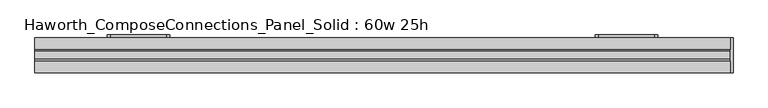
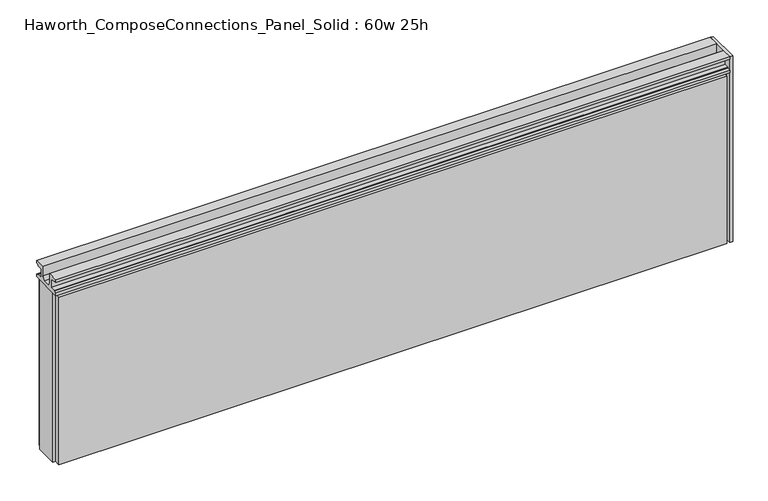
"""IFC4 building model written with IfcOpenShell, lengths in millimetres: furniture geometry, Haworth_ComposeConnections_Panel_Solid : 60w 25h."""

import ifcopenshell
import ifcopenshell.guid

model = None  # the IFC model being written
_history = None  # IfcOwnerHistory: only IFC2X3 demands one
_inside = {}  # id of a spatial element -> (the spatial element, [elements in it])
_under = {}  # id of a project, library or spatial element -> (it, [spatial elements below it])
_declared = {}  # id of a project -> (the project, [libraries it declares])
_typed = {}  # id of a type object -> (the type object, [elements of that type])
_made_of = {}  # id of a material, layer set ... -> (it, [elements and type objects made of it])


def new_model(schema):
    """Start an empty IFC model of exactly this schema.

    Asked for "IFC4X3", IfcOpenShell would pick the latest addendum, in which some entities
    have other attributes; the version numbers below select the first issue.
    IFC2X3 requires an IfcOwnerHistory on every rooted entity: one is made here for all.
    """
    global model, _history
    if schema == "IFC4X3":
        model = ifcopenshell.file(schema_version=(4, 3, 0, 0))
    else:
        model = ifcopenshell.file(schema=schema)
    _inside.clear()
    _under.clear()
    _declared.clear()
    _typed.clear()
    _made_of.clear()
    _history = None
    if model.schema == "IFC2X3":
        org = make("IfcOrganization", Name="unknown")
        user = make(
            "IfcPersonAndOrganization",
            ThePerson=make("IfcPerson", FamilyName="unknown"),
            TheOrganization=org,
        )
        app = make(
            "IfcApplication",
            ApplicationDeveloper=org,
            Version="unknown",
            ApplicationFullName="unknown",
            ApplicationIdentifier="unknown",
        )
        _history = make(
            "IfcOwnerHistory",
            OwningUser=user,
            OwningApplication=app,
            ChangeAction="ADDED",
            CreationDate=0,
        )
    return model


def make(cls, **values):
    """One entity of the class cls with the attributes given. An attribute that is None is left unset."""
    return model.create_entity(
        cls, **{name: value for name, value in values.items() if value is not None}
    )


def rooted(cls, **values):
    """An entity with a GlobalId (a new one), such as an element, a storey or a relation."""
    return make(cls, GlobalId=ifcopenshell.guid.new(), OwnerHistory=_history, **values)


def si_unit(unit_type, name, prefix=None):
    """IfcSIUnit, for example si_unit("LENGTHUNIT", "METRE", prefix="MILLI")."""
    return make("IfcSIUnit", UnitType=unit_type, Prefix=prefix, Name=name)


def assignment(units):
    """IfcUnitAssignment: the units of a project."""
    return None if units is None else make("IfcUnitAssignment", Units=units)


def point(xyz):
    """IfcCartesianPoint."""
    return None if xyz is None else make("IfcCartesianPoint", Coordinates=xyz)


def direction(xyz):
    """IfcDirection."""
    return None if xyz is None else make("IfcDirection", DirectionRatios=xyz)


def frame(location, z_axis=None, x_axis=None):
    """IfcAxis2Placement3D, a coordinate frame: its origin and axes. An axis left out is left unset."""
    return make(
        "IfcAxis2Placement3D",
        Location=point(location),
        Axis=direction(z_axis),
        RefDirection=direction(x_axis),
    )


def origin():
    """The frame at (0, 0, 0) with its axes left unset."""
    return frame((0.0, 0.0, 0.0))


def place(relative_to, where):
    """IfcLocalPlacement: puts the frame where relative to a parent placement (None: the world)."""
    return make(
        "IfcLocalPlacement", PlacementRelTo=relative_to, RelativePlacement=where
    )


def context(
    kind, dimensions, precision=None, world=None, true_north=None, identifier=None
):
    """IfcGeometricRepresentationContext, for example the 3D "Model" context."""
    return make(
        "IfcGeometricRepresentationContext",
        ContextIdentifier=identifier,
        ContextType=kind,
        CoordinateSpaceDimension=dimensions,
        Precision=precision,
        WorldCoordinateSystem=world,
        TrueNorth=true_north,
    )


def project(units=None, contexts=None):
    """IfcProject with its units and contexts."""
    return rooted(
        "IfcProject",
        Name="project",
        RepresentationContexts=contexts,
        UnitsInContext=assignment(units),
    )


def spatial(cls, under=None, at=None, **own):
    """A site, building, storey or space (cls), placed at a placement, below another one or the project."""
    s = rooted(cls, ObjectPlacement=at, **own)
    if under is not None:
        _under.setdefault(under.id(), (under, []))[1].append(s)
    return s


def polyline(points):
    """IfcPolyline through the points."""
    return make("IfcPolyline", Points=[point(p) for p in points])


def circle_curve(where, radius):
    """IfcCircle in the frame where."""
    return make("IfcCircle", Position=where, Radius=radius)


def outline(outer, holes=None, kind="AREA"):
    """IfcArbitraryClosedProfileDef: a profile drawn as a closed curve; with holes, ...WithVoids."""
    if holes is None:
        return make("IfcArbitraryClosedProfileDef", ProfileType=kind, OuterCurve=outer)
    return make(
        "IfcArbitraryProfileDefWithVoids",
        ProfileType=kind,
        OuterCurve=outer,
        InnerCurves=holes,
    )


def extrude(swept, where, along, depth):
    """IfcExtrudedAreaSolid: the profile swept, set in the frame where, extruded along a direction by depth."""
    return make(
        "IfcExtrudedAreaSolid",
        SweptArea=swept,
        Position=where,
        ExtrudedDirection=direction(along),
        Depth=depth,
    )


def shape(context_of_items, identifier, shape_type, items):
    """IfcShapeRepresentation: the items that make up one representation, for example the "Body"."""
    return make(
        "IfcShapeRepresentation",
        ContextOfItems=context_of_items,
        RepresentationIdentifier=identifier,
        RepresentationType=shape_type,
        Items=items,
    )


def source(mapping_origin, context_of_items, identifier, shape_type, items):
    """IfcRepresentationMap: a shape defined once, which mapped items show again and again."""
    return make(
        "IfcRepresentationMap",
        MappingOrigin=mapping_origin,
        MappedRepresentation=shape(context_of_items, identifier, shape_type, items),
    )


def transform(
    local_origin,
    x_axis=None,
    y_axis=None,
    z_axis=None,
    scale=None,
    scale2=None,
    scale3=None,
    uniform=True,
):
    """IfcCartesianTransformationOperator3D, or its non-uniform kind. x_axis, y_axis, z_axis: its Axis1, 2, 3."""
    if uniform:
        return make(
            "IfcCartesianTransformationOperator3D",
            Axis1=direction(x_axis),
            Axis2=direction(y_axis),
            LocalOrigin=point(local_origin),
            Scale=scale,
            Axis3=direction(z_axis),
        )
    return make(
        "IfcCartesianTransformationOperator3DnonUniform",
        Axis1=direction(x_axis),
        Axis2=direction(y_axis),
        LocalOrigin=point(local_origin),
        Scale=scale,
        Axis3=direction(z_axis),
        Scale2=scale2,
        Scale3=scale3,
    )


def mapped(mapping_source, mapping_target):
    """IfcMappedItem: shows the shape of a source again, moved by a transform."""
    return make(
        "IfcMappedItem", MappingSource=mapping_source, MappingTarget=mapping_target
    )


def made_of(thing, what):
    """Note that an element or type object is made of a material, layer set ...; save() writes the relation."""
    if what is not None:
        _made_of.setdefault(what.id(), (what, []))[1].append(thing)
    return thing


def element(
    cls,
    number,
    at=None,
    inside=None,
    cuts=None,
    type_object=None,
    material=None,
    context=None,
    identifier="Body",
    shape_type=None,
    held_by="IfcProductDefinitionShape",
    body=None,
    shapes=None,
    **own,
):
    """One element of the class cls, such as IfcWall. Its Tag is "e" and its number.

    at: its placement. inside: the storey or other place that contains it. cuts: it is an
    opening in that element (IfcRelVoidsElement). A single representation is given by context,
    identifier, shape_type and body (its items); several are given by shapes. held_by: the class
    of the entity that holds the representations. save() writes the other relations.
    """
    e = rooted(cls, Tag="e%d" % number, ObjectPlacement=at, **own)
    if body is not None:
        shapes = [shape(context, identifier, shape_type, body)]
    if shapes is not None:
        e.Representation = make(held_by, Representations=shapes)
    if inside is not None:
        _inside.setdefault(inside.id(), (inside, []))[1].append(e)
    if cuts is not None:
        rooted(
            "IfcRelVoidsElement", RelatingBuildingElement=cuts, RelatedOpeningElement=e
        )
    if type_object is not None:
        _typed.setdefault(type_object.id(), (type_object, []))[1].append(e)
    return made_of(e, material)


def aggregate(whole, parts):
    """IfcRelAggregates: a whole, such as a stair, and the parts it consists of."""
    return rooted("IfcRelAggregates", RelatingObject=whole, RelatedObjects=parts)


def save(model, path):
    """Write the relations noted so far, then the file.

    IfcRelAggregates (storeys below a building ...), IfcRelContainedInSpatialStructure (elements
    in a storey), IfcRelDefinesByType, IfcRelAssociatesMaterial and IfcRelDeclares: one each for
    every whole, place, type object, material and project.
    """
    for whole, parts in _under.values():
        aggregate(whole, parts)
    for where, things in _inside.values():
        rooted(
            "IfcRelContainedInSpatialStructure",
            RelatedElements=things,
            RelatingStructure=where,
        )
    for kind, things in _typed.values():
        rooted("IfcRelDefinesByType", RelatedObjects=things, RelatingType=kind)
    for what, things in _made_of.values():
        rooted("IfcRelAssociatesMaterial", RelatedObjects=things, RelatingMaterial=what)
    for by, libraries in _declared.values():
        rooted("IfcRelDeclares", RelatingContext=by, RelatedDefinitions=libraries)
    model.write(path)


def plane_surface(at):
    """IfcPlane: the flat surface through the origin of the frame at, square to its z axis."""
    return make("IfcPlane", Position=at)


def cylinder_surface(at, radius):
    """IfcCylindricalSurface: all points at the distance radius from the z axis of the frame at."""
    return make("IfcCylindricalSurface", Position=at, Radius=radius)


def revolved_surface(curve, axis_point, axis_direction):
    """IfcSurfaceOfRevolution: the curve turned about the line through axis_point along axis_direction."""
    return make(
        "IfcSurfaceOfRevolution",
        SweptCurve=make("IfcArbitraryOpenProfileDef", ProfileType="CURVE", Curve=curve),
        AxisPosition=make("IfcAxis1Placement", Location=point(axis_point), Axis=direction(axis_direction)),
    )


def advanced_brep(points, edges, surfaces, faces):
    """IfcAdvancedBrep: a solid bounded by faces that lie on surfaces and meet in shared edges.

    An edge is (start, end): straight between two places in points (the first is 0);
    or (start, end, curve); or (start, end, curve, False) where it runs against its curve.
    A face is (place in surfaces, loops), or (place, loops, False) where it looks against
    its surface's normal. A loop lists edges by number (the first is 1), with a minus sign
    where the edge is run from its end to its start. The first loop is the outer one.
    """
    corners = [point(p) for p in points]
    vertices = [make("IfcVertexPoint", VertexGeometry=c) for c in corners]
    made = []
    for start, end, *more in edges:
        made.append(
            make(
                "IfcEdgeCurve",
                EdgeStart=vertices[start],
                EdgeEnd=vertices[end],
                EdgeGeometry=more[0] if more else make("IfcPolyline", Points=[corners[start], corners[end]]),
                SameSense=more[1] if len(more) > 1 else True,
            )
        )
    hull = []
    for where, loops, *sense in faces:
        bounds = []
        for j, loop in enumerate(loops):
            ring = [make("IfcOrientedEdge", EdgeElement=made[abs(k) - 1], Orientation=k > 0) for k in loop]
            bounds.append(
                make(
                    "IfcFaceOuterBound" if j == 0 else "IfcFaceBound",
                    Bound=make("IfcEdgeLoop", EdgeList=ring),
                    Orientation=True,
                )
            )
        hull.append(make("IfcAdvancedFace", Bounds=bounds, FaceSurface=surfaces[where], SameSense=sense[0] if sense else True))
    return make("IfcAdvancedBrep", Outer=make("IfcClosedShell", CfsFaces=hull))


def haworth_composeconnections_panel_solid_60w_25h_e7278e55(model_context):
    return source(origin(), model_context, "Body", "SolidModel", [
        advanced_brep(
        [(-470.6347098, 38.1, 546.1), (-594.4597098, 38.1, 546.1), (-600.8097098, 38.1, 539.75), (-600.8097098, 38.1, 412.75), (-594.4597098, 38.1, 406.4), (-470.6347098, 38.1, 406.4), (-464.2847098, 38.1, 412.75), (-464.2847098, 38.1, 539.75), (-470.6347098, 44.45, 546.1), (-464.2847098, 44.45, 539.75), (-464.2847098, 44.45, 412.75), (-470.6347098, 44.45, 406.4), (-594.4597098, 44.45, 406.4), (-600.8097098, 44.45, 412.75), (-600.8097098, 44.45, 539.75), (-594.4597098, 44.45, 546.1), (-483.3347098, 44.45, 533.4), (-581.7597098, 44.45, 533.4), (-588.1097098, 44.45, 527.05), (-588.1097098, 44.45, 488.95), (-581.7597098, 44.45, 482.6), (-483.3347098, 44.45, 482.6), (-476.9847098, 44.45, 488.95), (-476.9847098, 44.45, 527.05), (-483.3347098, 44.45, 469.9), (-557.9472098, 44.45, 469.9), (-564.2972098, 44.45, 463.55), (-564.2972098, 44.45, 425.45), (-557.9472098, 44.45, 419.1), (-483.3347098, 44.45, 419.1), (-476.9847098, 44.45, 425.45), (-476.9847098, 44.45, 463.55), (-483.3347098, 41.275, 533.4), (-476.9847098, 41.275, 527.05), (-476.9847098, 41.275, 488.95), (-483.3347098, 41.275, 482.6), (-581.7597098, 41.275, 482.6), (-588.1097098, 41.275, 488.95), (-588.1097098, 41.275, 527.05), (-581.7597098, 41.275, 533.4), (-483.3347098, 41.275, 469.9), (-476.9847098, 41.275, 463.55), (-476.9847098, 41.275, 425.45), (-483.3347098, 41.275, 419.1), (-557.9472098, 41.275, 419.1), (-564.2972098, 41.275, 425.45), (-564.2972098, 41.275, 463.55), (-557.9472098, 41.275, 469.9)],
        [
            (0, 1),
            (1, 2, circle_curve(frame((-594.4597098, 38.1, 539.75), z_axis=(0.0, -1.0, 0.0), x_axis=(-1.0, 0.0, 0.0)), 6.35)),
            (2, 3),
            (3, 4, circle_curve(frame((-594.4597098, 38.1, 412.75), z_axis=(0.0, -1.0, 0.0), x_axis=(-1.0, 0.0, 0.0)), 6.35)),
            (4, 5),
            (5, 6, circle_curve(frame((-470.6347098, 38.1, 412.75), z_axis=(0.0, -1.0, 0.0), x_axis=(-1.0, 0.0, 0.0)), 6.35)),
            (6, 7),
            (7, 0, circle_curve(frame((-470.6347098, 38.1, 539.75), z_axis=(0.0, -1.0, 0.0), x_axis=(-1.0, 0.0, 0.0)), 6.35)),
            (8, 9, circle_curve(frame((-470.6347098, 44.45, 539.75), z_axis=(0.0, 1.0, 0.0), x_axis=(-1.0, 0.0, 0.0)), 6.35)),
            (9, 10),
            (10, 11, circle_curve(frame((-470.6347098, 44.45, 412.75), z_axis=(0.0, 1.0, 0.0), x_axis=(-1.0, 0.0, 0.0)), 6.35)),
            (11, 12),
            (12, 13, circle_curve(frame((-594.4597098, 44.45, 412.75), z_axis=(0.0, 1.0, 0.0), x_axis=(-1.0, 0.0, 0.0)), 6.35)),
            (13, 14),
            (14, 15, circle_curve(frame((-594.4597098, 44.45, 539.75), z_axis=(0.0, 1.0, 0.0), x_axis=(-1.0, 0.0, 0.0)), 6.35)),
            (15, 8),
            (16, 17),
            (17, 18, circle_curve(frame((-581.7597098, 44.45, 527.05), z_axis=(0.0, -1.0, 0.0), x_axis=(-1.0, 0.0, 0.0)), 6.35)),
            (18, 19),
            (19, 20, circle_curve(frame((-581.7597098, 44.45, 488.95), z_axis=(0.0, -1.0, 0.0), x_axis=(-1.0, 0.0, 0.0)), 6.35)),
            (20, 21),
            (21, 22, circle_curve(frame((-483.3347098, 44.45, 488.95), z_axis=(0.0, -1.0, 0.0), x_axis=(-1.0, 0.0, 0.0)), 6.35)),
            (22, 23),
            (23, 16, circle_curve(frame((-483.3347098, 44.45, 527.05), z_axis=(0.0, -1.0, 0.0), x_axis=(-1.0, 0.0, 0.0)), 6.35)),
            (24, 25),
            (25, 26, circle_curve(frame((-557.9472098, 44.45, 463.55), z_axis=(0.0, -1.0, 0.0), x_axis=(-1.0, 0.0, 0.0)), 6.35)),
            (26, 27),
            (27, 28, circle_curve(frame((-557.9472098, 44.45, 425.45), z_axis=(0.0, -1.0, 0.0), x_axis=(-1.0, 0.0, 0.0)), 6.35)),
            (28, 29),
            (29, 30, circle_curve(frame((-483.3347098, 44.45, 425.45), z_axis=(0.0, -1.0, 0.0), x_axis=(-1.0, 0.0, 0.0)), 6.35)),
            (30, 31),
            (31, 24, circle_curve(frame((-483.3347098, 44.45, 463.55), z_axis=(0.0, -1.0, 0.0), x_axis=(-1.0, 0.0, 0.0)), 6.35)),
            (7, 9),
            (8, 0),
            (6, 10),
            (5, 11),
            (4, 12),
            (3, 13),
            (2, 14),
            (1, 15),
            (32, 33, circle_curve(frame((-483.3347098, 41.275, 527.05), z_axis=(0.0, 1.0, 0.0), x_axis=(-1.0, 0.0, 0.0)), 6.35)),
            (33, 34),
            (34, 35, circle_curve(frame((-483.3347098, 41.275, 488.95), z_axis=(0.0, 1.0, 0.0), x_axis=(-1.0, 0.0, 0.0)), 6.35)),
            (35, 36),
            (36, 37, circle_curve(frame((-581.7597098, 41.275, 488.95), z_axis=(0.0, 1.0, 0.0), x_axis=(-1.0, 0.0, 0.0)), 6.35)),
            (37, 38),
            (38, 39, circle_curve(frame((-581.7597098, 41.275, 527.05), z_axis=(0.0, 1.0, 0.0), x_axis=(-1.0, 0.0, 0.0)), 6.35)),
            (39, 32),
            (40, 41, circle_curve(frame((-483.3347098, 41.275, 463.55), z_axis=(0.0, 1.0, 0.0), x_axis=(-1.0, 0.0, 0.0)), 6.35)),
            (41, 42),
            (42, 43, circle_curve(frame((-483.3347098, 41.275, 425.45), z_axis=(0.0, 1.0, 0.0), x_axis=(-1.0, 0.0, 0.0)), 6.35)),
            (43, 44),
            (44, 45, circle_curve(frame((-557.9472098, 41.275, 425.45), z_axis=(0.0, 1.0, 0.0), x_axis=(-1.0, 0.0, 0.0)), 6.35)),
            (45, 46),
            (46, 47, circle_curve(frame((-557.9472098, 41.275, 463.55), z_axis=(0.0, 1.0, 0.0), x_axis=(-1.0, 0.0, 0.0)), 6.35)),
            (47, 40),
            (32, 16),
            (23, 33),
            (22, 34),
            (21, 35),
            (20, 36),
            (19, 37),
            (18, 38),
            (17, 39),
            (40, 24),
            (31, 41),
            (30, 42),
            (29, 43),
            (28, 44),
            (27, 45),
            (26, 46),
            (25, 47),
        ],
        [
            plane_surface(frame((-476.9847098, 38.1, 539.75), z_axis=(0.0, -1.0, 0.0), x_axis=(0.0, 0.0, 1.0))),
            plane_surface(frame((-476.9847098, 44.45, 539.75), z_axis=(0.0, 1.0, 0.0), x_axis=(0.0, 0.0, -1.0))),
            cylinder_surface(frame((-470.6347098, 44.45, 539.75), z_axis=(0.0, -1.0, 0.0), x_axis=(-1.0, 0.0, 0.0)), 6.35),
            plane_surface(frame((-464.2847098, 38.1, 539.75), z_axis=(1.0, 0.0, 0.0), x_axis=(0.0, 1.0, 0.0))),
            cylinder_surface(frame((-470.6347098, 44.45, 412.75), z_axis=(0.0, -1.0, 0.0), x_axis=(-1.0, 0.0, 0.0)), 6.35),
            plane_surface(frame((-470.6347098, 38.1, 406.4), z_axis=(0.0, 0.0, -1.0), x_axis=(0.0, 1.0, 0.0))),
            cylinder_surface(frame((-594.4597098, 44.45, 412.75), z_axis=(0.0, -1.0, 0.0), x_axis=(-1.0, 0.0, 0.0)), 6.35),
            plane_surface(frame((-600.8097098, 38.1, 412.75), z_axis=(-1.0, 0.0, 0.0), x_axis=(0.0, 1.0, 0.0))),
            cylinder_surface(frame((-594.4597098, 44.45, 539.75), z_axis=(0.0, -1.0, 0.0), x_axis=(-1.0, 0.0, 0.0)), 6.35),
            plane_surface(frame((-594.4597098, 38.1, 546.1), z_axis=(0.0, 0.0, 1.0), x_axis=(0.0, 1.0, 0.0))),
            plane_surface(frame((-489.6847098, 41.275, 527.05), z_axis=(0.0, 1.0, 0.0), x_axis=(0.0, 0.0, 1.0))),
            revolved_surface(polyline([(-489.6847098, 41.275, 527.05), (-489.6847098, 44.45, 527.05)]), (-483.3347098, 44.45, 527.05), (0.0, -1.0, 0.0)),
            plane_surface(frame((-476.9847098, 41.275, 527.05), z_axis=(-1.0, 0.0, 0.0), x_axis=(0.0, 1.0, 0.0))),
            revolved_surface(polyline([(-489.6847098, 41.275, 488.95), (-489.6847098, 44.45, 488.95)]), (-483.3347098, 44.45, 488.95), (0.0, -1.0, 0.0)),
            plane_surface(frame((-483.3347098, 41.275, 482.6), z_axis=(0.0, 0.0, 1.0), x_axis=(0.0, 1.0, 0.0))),
            revolved_surface(polyline([(-588.1097098, 41.275, 488.95), (-588.1097098, 44.45, 488.95)]), (-581.7597098, 44.45, 488.95), (0.0, -1.0, 0.0)),
            plane_surface(frame((-588.1097098, 41.275, 488.95), z_axis=(1.0, 0.0, 0.0), x_axis=(0.0, 1.0, 0.0))),
            revolved_surface(polyline([(-588.1097098, 41.275, 527.05), (-588.1097098, 44.45, 527.05)]), (-581.7597098, 44.45, 527.05), (0.0, -1.0, 0.0)),
            plane_surface(frame((-581.7597098, 41.275, 533.4), z_axis=(0.0, 0.0, -1.0), x_axis=(0.0, 1.0, 0.0))),
            revolved_surface(polyline([(-489.6847098, 41.275, 463.55), (-489.6847098, 44.45, 463.55)]), (-483.3347098, 44.45, 463.55), (0.0, -1.0, 0.0)),
            plane_surface(frame((-476.9847098, 41.275, 463.55), z_axis=(-1.0, 0.0, 0.0), x_axis=(0.0, 1.0, 0.0))),
            revolved_surface(polyline([(-489.6847098, 41.275, 425.45), (-489.6847098, 44.45, 425.45)]), (-483.3347098, 44.45, 425.45), (0.0, -1.0, 0.0)),
            plane_surface(frame((-483.3347098, 41.275, 419.1), z_axis=(0.0, 0.0, 1.0), x_axis=(0.0, 1.0, 0.0))),
            revolved_surface(polyline([(-564.2972098, 41.275, 425.45), (-564.2972098, 44.45, 425.45)]), (-557.9472098, 44.45, 425.45), (0.0, -1.0, 0.0)),
            plane_surface(frame((-564.2972098, 41.275, 425.45), z_axis=(1.0, 0.0, 0.0), x_axis=(0.0, 1.0, 0.0))),
            revolved_surface(polyline([(-564.2972098, 41.275, 463.55), (-564.2972098, 44.45, 463.55)]), (-557.9472098, 44.45, 463.55), (0.0, -1.0, 0.0)),
            plane_surface(frame((-557.9472098, 41.275, 469.9), z_axis=(0.0, 0.0, -1.0), x_axis=(0.0, 1.0, 0.0))),
        ],
        [
            (0, [[1, 2, 3, 4, 5, 6, 7, 8]]),
            (1, [[9, 10, 11, 12, 13, 14, 15, 16], [17, 18, 19, 20, 21, 22, 23, 24], [25, 26, 27, 28, 29, 30, 31, 32]]),
            (2, [[33, -9, 34, -8]]),
            (3, [[35, -10, -33, -7]]),
            (4, [[36, -11, -35, -6]]),
            (5, [[37, -12, -36, -5]]),
            (6, [[38, -13, -37, -4]]),
            (7, [[39, -14, -38, -3]]),
            (8, [[40, -15, -39, -2]]),
            (9, [[-34, -16, -40, -1]]),
            (10, [[41, 42, 43, 44, 45, 46, 47, 48]]),
            (10, [[49, 50, 51, 52, 53, 54, 55, 56]]),
            (11, [[57, -24, 58, -41]]),
            (12, [[-58, -23, 59, -42]]),
            (13, [[-59, -22, 60, -43]]),
            (14, [[-60, -21, 61, -44]]),
            (15, [[-61, -20, 62, -45]]),
            (16, [[-62, -19, 63, -46]]),
            (17, [[-63, -18, 64, -47]]),
            (18, [[-64, -17, -57, -48]]),
            (19, [[65, -32, 66, -49]]),
            (20, [[-66, -31, 67, -50]]),
            (21, [[-67, -30, 68, -51]]),
            (22, [[-68, -29, 69, -52]]),
            (23, [[-69, -28, 70, -53]]),
            (24, [[-70, -27, 71, -54]]),
            (25, [[-71, -26, 72, -55]]),
            (26, [[-72, -25, -65, -56]]),
        ],
    ),
        advanced_brep(
        [(599.3402902, 38.1, 546.1), (475.5152902, 38.1, 546.1), (469.1652902, 38.1, 539.75), (469.1652902, 38.1, 412.75), (475.5152902, 38.1, 406.4), (599.3402902, 38.1, 406.4), (605.6902902, 38.1, 412.75), (605.6902902, 38.1, 539.75), (599.3402902, 44.45, 546.1), (605.6902902, 44.45, 539.75), (605.6902902, 44.45, 412.75), (599.3402902, 44.45, 406.4), (475.5152902, 44.45, 406.4), (469.1652902, 44.45, 412.75), (469.1652902, 44.45, 539.75), (475.5152902, 44.45, 546.1), (586.6402902, 44.45, 533.4), (488.2152902, 44.45, 533.4), (481.8652902, 44.45, 527.05), (481.8652902, 44.45, 488.95), (488.2152902, 44.45, 482.6), (586.6402902, 44.45, 482.6), (592.9902902, 44.45, 488.95), (592.9902902, 44.45, 527.05), (586.6402902, 44.45, 469.9), (512.0277902, 44.45, 469.9), (505.6777902, 44.45, 463.55), (505.6777902, 44.45, 425.45), (512.0277902, 44.45, 419.1), (586.6402902, 44.45, 419.1), (592.9902902, 44.45, 425.45), (592.9902902, 44.45, 463.55), (586.6402902, 41.275, 533.4), (592.9902902, 41.275, 527.05), (592.9902902, 41.275, 488.95), (586.6402902, 41.275, 482.6), (488.2152902, 41.275, 482.6), (481.8652902, 41.275, 488.95), (481.8652902, 41.275, 527.05), (488.2152902, 41.275, 533.4), (586.6402902, 41.275, 469.9), (592.9902902, 41.275, 463.55), (592.9902902, 41.275, 425.45), (586.6402902, 41.275, 419.1), (512.0277902, 41.275, 419.1), (505.6777902, 41.275, 425.45), (505.6777902, 41.275, 463.55), (512.0277902, 41.275, 469.9)],
        [
            (0, 1),
            (1, 2, circle_curve(frame((475.5152902, 38.1, 539.75), z_axis=(0.0, -1.0, 0.0), x_axis=(-1.0, 0.0, 0.0)), 6.35)),
            (2, 3),
            (3, 4, circle_curve(frame((475.5152902, 38.1, 412.75), z_axis=(0.0, -1.0, 0.0), x_axis=(-1.0, 0.0, 0.0)), 6.35)),
            (4, 5),
            (5, 6, circle_curve(frame((599.3402902, 38.1, 412.75), z_axis=(0.0, -1.0, 0.0), x_axis=(-1.0, 0.0, 0.0)), 6.35)),
            (6, 7),
            (7, 0, circle_curve(frame((599.3402902, 38.1, 539.75), z_axis=(0.0, -1.0, 0.0), x_axis=(-1.0, 0.0, 0.0)), 6.35)),
            (8, 9, circle_curve(frame((599.3402902, 44.45, 539.75), z_axis=(0.0, 1.0, 0.0), x_axis=(-1.0, 0.0, 0.0)), 6.35)),
            (9, 10),
            (10, 11, circle_curve(frame((599.3402902, 44.45, 412.75), z_axis=(0.0, 1.0, 0.0), x_axis=(-1.0, 0.0, 0.0)), 6.35)),
            (11, 12),
            (12, 13, circle_curve(frame((475.5152902, 44.45, 412.75), z_axis=(0.0, 1.0, 0.0), x_axis=(-1.0, 0.0, 0.0)), 6.35)),
            (13, 14),
            (14, 15, circle_curve(frame((475.5152902, 44.45, 539.75), z_axis=(0.0, 1.0, 0.0), x_axis=(-1.0, 0.0, 0.0)), 6.35)),
            (15, 8),
            (16, 17),
            (17, 18, circle_curve(frame((488.2152902, 44.45, 527.05), z_axis=(0.0, -1.0, 0.0), x_axis=(-1.0, 0.0, 0.0)), 6.35)),
            (18, 19),
            (19, 20, circle_curve(frame((488.2152902, 44.45, 488.95), z_axis=(0.0, -1.0, 0.0), x_axis=(-1.0, 0.0, 0.0)), 6.35)),
            (20, 21),
            (21, 22, circle_curve(frame((586.6402902, 44.45, 488.95), z_axis=(0.0, -1.0, 0.0), x_axis=(-1.0, 0.0, 0.0)), 6.35)),
            (22, 23),
            (23, 16, circle_curve(frame((586.6402902, 44.45, 527.05), z_axis=(0.0, -1.0, 0.0), x_axis=(-1.0, 0.0, 0.0)), 6.35)),
            (24, 25),
            (25, 26, circle_curve(frame((512.0277902, 44.45, 463.55), z_axis=(0.0, -1.0, 0.0), x_axis=(-1.0, 0.0, 0.0)), 6.35)),
            (26, 27),
            (27, 28, circle_curve(frame((512.0277902, 44.45, 425.45), z_axis=(0.0, -1.0, 0.0), x_axis=(-1.0, 0.0, 0.0)), 6.35)),
            (28, 29),
            (29, 30, circle_curve(frame((586.6402902, 44.45, 425.45), z_axis=(0.0, -1.0, 0.0), x_axis=(-1.0, 0.0, 0.0)), 6.35)),
            (30, 31),
            (31, 24, circle_curve(frame((586.6402902, 44.45, 463.55), z_axis=(0.0, -1.0, 0.0), x_axis=(-1.0, 0.0, 0.0)), 6.35)),
            (7, 9),
            (8, 0),
            (6, 10),
            (5, 11),
            (4, 12),
            (3, 13),
            (2, 14),
            (1, 15),
            (32, 33, circle_curve(frame((586.6402902, 41.275, 527.05), z_axis=(0.0, 1.0, 0.0), x_axis=(-1.0, 0.0, 0.0)), 6.35)),
            (33, 34),
            (34, 35, circle_curve(frame((586.6402902, 41.275, 488.95), z_axis=(0.0, 1.0, 0.0), x_axis=(-1.0, 0.0, 0.0)), 6.35)),
            (35, 36),
            (36, 37, circle_curve(frame((488.2152902, 41.275, 488.95), z_axis=(0.0, 1.0, 0.0), x_axis=(-1.0, 0.0, 0.0)), 6.35)),
            (37, 38),
            (38, 39, circle_curve(frame((488.2152902, 41.275, 527.05), z_axis=(0.0, 1.0, 0.0), x_axis=(-1.0, 0.0, 0.0)), 6.35)),
            (39, 32),
            (40, 41, circle_curve(frame((586.6402902, 41.275, 463.55), z_axis=(0.0, 1.0, 0.0), x_axis=(-1.0, 0.0, 0.0)), 6.35)),
            (41, 42),
            (42, 43, circle_curve(frame((586.6402902, 41.275, 425.45), z_axis=(0.0, 1.0, 0.0), x_axis=(-1.0, 0.0, 0.0)), 6.35)),
            (43, 44),
            (44, 45, circle_curve(frame((512.0277902, 41.275, 425.45), z_axis=(0.0, 1.0, 0.0), x_axis=(-1.0, 0.0, 0.0)), 6.35)),
            (45, 46),
            (46, 47, circle_curve(frame((512.0277902, 41.275, 463.55), z_axis=(0.0, 1.0, 0.0), x_axis=(-1.0, 0.0, 0.0)), 6.35)),
            (47, 40),
            (32, 16),
            (23, 33),
            (22, 34),
            (21, 35),
            (20, 36),
            (19, 37),
            (18, 38),
            (17, 39),
            (40, 24),
            (31, 41),
            (30, 42),
            (29, 43),
            (28, 44),
            (27, 45),
            (26, 46),
            (25, 47),
        ],
        [
            plane_surface(frame((592.9902902, 38.1, 539.75), z_axis=(0.0, -1.0, 0.0), x_axis=(0.0, 0.0, 1.0))),
            plane_surface(frame((592.9902902, 44.45, 539.75), z_axis=(0.0, 1.0, 0.0), x_axis=(0.0, 0.0, -1.0))),
            cylinder_surface(frame((599.3402902, 44.45, 539.75), z_axis=(0.0, -1.0, 0.0), x_axis=(-1.0, 0.0, 0.0)), 6.35),
            plane_surface(frame((605.6902902, 38.1, 539.75), z_axis=(1.0, 0.0, 0.0), x_axis=(0.0, 1.0, 0.0))),
            cylinder_surface(frame((599.3402902, 44.45, 412.75), z_axis=(0.0, -1.0, 0.0), x_axis=(-1.0, 0.0, 0.0)), 6.35),
            plane_surface(frame((599.3402902, 38.1, 406.4), z_axis=(0.0, 0.0, -1.0), x_axis=(0.0, 1.0, 0.0))),
            cylinder_surface(frame((475.5152902, 44.45, 412.75), z_axis=(0.0, -1.0, 0.0), x_axis=(-1.0, 0.0, 0.0)), 6.35),
            plane_surface(frame((469.1652902, 38.1, 412.75), z_axis=(-1.0, 0.0, 0.0), x_axis=(0.0, 1.0, 0.0))),
            cylinder_surface(frame((475.5152902, 44.45, 539.75), z_axis=(0.0, -1.0, 0.0), x_axis=(-1.0, 0.0, 0.0)), 6.35),
            plane_surface(frame((475.5152902, 38.1, 546.1), z_axis=(0.0, 0.0, 1.0), x_axis=(0.0, 1.0, 0.0))),
            plane_surface(frame((580.2902902, 41.275, 527.05), z_axis=(0.0, 1.0, 0.0), x_axis=(0.0, 0.0, 1.0))),
            revolved_surface(polyline([(580.2902902, 41.275, 527.05), (580.2902902, 44.45, 527.05)]), (586.6402902, 44.45, 527.05), (0.0, -1.0, 0.0)),
            plane_surface(frame((592.9902902, 41.275, 527.05), z_axis=(-1.0, 0.0, 0.0), x_axis=(0.0, 1.0, 0.0))),
            revolved_surface(polyline([(580.2902902, 41.275, 488.95), (580.2902902, 44.45, 488.95)]), (586.6402902, 44.45, 488.95), (0.0, -1.0, 0.0)),
            plane_surface(frame((586.6402902, 41.275, 482.6), z_axis=(0.0, 0.0, 1.0), x_axis=(0.0, 1.0, 0.0))),
            revolved_surface(polyline([(481.8652902, 41.275, 488.95), (481.8652902, 44.45, 488.95)]), (488.2152902, 44.45, 488.95), (0.0, -1.0, 0.0)),
            plane_surface(frame((481.8652902, 41.275, 488.95), z_axis=(1.0, 0.0, 0.0), x_axis=(0.0, 1.0, 0.0))),
            revolved_surface(polyline([(481.8652902, 41.275, 527.05), (481.8652902, 44.45, 527.05)]), (488.2152902, 44.45, 527.05), (0.0, -1.0, 0.0)),
            plane_surface(frame((488.2152902, 41.275, 533.4), z_axis=(0.0, 0.0, -1.0), x_axis=(0.0, 1.0, 0.0))),
            revolved_surface(polyline([(580.2902902, 41.275, 463.55), (580.2902902, 44.45, 463.55)]), (586.6402902, 44.45, 463.55), (0.0, -1.0, 0.0)),
            plane_surface(frame((592.9902902, 41.275, 463.55), z_axis=(-1.0, 0.0, 0.0), x_axis=(0.0, 1.0, 0.0))),
            revolved_surface(polyline([(580.2902902, 41.275, 425.45), (580.2902902, 44.45, 425.45)]), (586.6402902, 44.45, 425.45), (0.0, -1.0, 0.0)),
            plane_surface(frame((586.6402902, 41.275, 419.1), z_axis=(0.0, 0.0, 1.0), x_axis=(0.0, 1.0, 0.0))),
            revolved_surface(polyline([(505.6777902, 41.275, 425.45), (505.6777902, 44.45, 425.45)]), (512.0277902, 44.45, 425.45), (0.0, -1.0, 0.0)),
            plane_surface(frame((505.6777902, 41.275, 425.45), z_axis=(1.0, 0.0, 0.0), x_axis=(0.0, 1.0, 0.0))),
            revolved_surface(polyline([(505.6777902, 41.275, 463.55), (505.6777902, 44.45, 463.55)]), (512.0277902, 44.45, 463.55), (0.0, -1.0, 0.0)),
            plane_surface(frame((512.0277902, 41.275, 469.9), z_axis=(0.0, 0.0, -1.0), x_axis=(0.0, 1.0, 0.0))),
        ],
        [
            (0, [[1, 2, 3, 4, 5, 6, 7, 8]]),
            (1, [[9, 10, 11, 12, 13, 14, 15, 16], [17, 18, 19, 20, 21, 22, 23, 24], [25, 26, 27, 28, 29, 30, 31, 32]]),
            (2, [[33, -9, 34, -8]]),
            (3, [[35, -10, -33, -7]]),
            (4, [[36, -11, -35, -6]]),
            (5, [[37, -12, -36, -5]]),
            (6, [[38, -13, -37, -4]]),
            (7, [[39, -14, -38, -3]]),
            (8, [[40, -15, -39, -2]]),
            (9, [[-34, -16, -40, -1]]),
            (10, [[41, 42, 43, 44, 45, 46, 47, 48]]),
            (10, [[49, 50, 51, 52, 53, 54, 55, 56]]),
            (11, [[57, -24, 58, -41]]),
            (12, [[-58, -23, 59, -42]]),
            (13, [[-59, -22, 60, -43]]),
            (14, [[-60, -21, 61, -44]]),
            (15, [[-61, -20, 62, -45]]),
            (16, [[-62, -19, 63, -46]]),
            (17, [[-63, -18, 64, -47]]),
            (18, [[-64, -17, -57, -48]]),
            (19, [[65, -32, 66, -49]]),
            (20, [[-66, -31, 67, -50]]),
            (21, [[-67, -30, 68, -51]]),
            (22, [[-68, -29, 69, -52]]),
            (23, [[-69, -28, 70, -53]]),
            (24, [[-70, -27, 71, -54]]),
            (25, [[-71, -26, 72, -55]]),
            (26, [[-72, -25, -65, -56]]),
        ],
    ),
        extrude(outline(polyline([(38.1, 673.1), (30.6197, 673.1), (30.6197, 670.8139719), (19.6976996, 670.8139719), (19.6976996, 649.9860281), (30.6197, 649.9860281), (30.6197, 647.7), (38.0999989, 647.7), (38.0999989, 641.35), (-38.1000011, 641.35), (-38.1000011, 647.7), (-30.6197023, 647.7), (-30.6197023, 649.9860281), (-19.6977019, 649.9860281), (-19.6977019, 670.8139719), (-30.6197023, 670.8139719), (-30.6197023, 673.1), (-38.1000023, 673.1), (-38.1000023, 679.45), (-13.5001026, 679.45), (-13.5001026, 657.6828071), (-8.7648498, 647.7), (8.7648475, 647.7), (13.5001003, 657.6828071), (13.5001003, 679.45), (38.1, 679.45), (38.1, 673.1)])), frame((-759.5597098, 0.0, 0.0), z_axis=(1.0, 0.0, 0.0), x_axis=(0.0, 1.0, 0.0)), (0.0, 0.0, 1.0), 1524.0),
        extrude(outline(polyline([(770.7902902, -38.1), (764.4402902, -38.1), (764.4402902, 38.1), (770.7902902, 38.1), (770.7902902, -38.1)])), frame((0.0, 0.0, 234.95), z_axis=(0.0, 0.0, 1.0), x_axis=(1.0, 0.0, 0.0)), (0.0, 0.0, 1.0), 444.5),
        extrude(outline(polyline([(764.4402902, 25.4), (764.4402902, -25.4), (-759.5597098, -25.4), (-759.5597098, 25.4), (764.4402902, 25.4)])), frame((0.0, 0.0, 234.95), z_axis=(0.0, 0.0, 1.0), x_axis=(1.0, 0.0, 0.0)), (0.0, 0.0, 1.0), 406.4),
        extrude(outline(polyline([(-753.2097098, 25.4), (-753.2097098, 38.1), (758.0902902, 38.1), (758.0902902, 25.4), (-753.2097098, 25.4)])), frame((0.0, 0.0, 234.95), z_axis=(0.0, 0.0, 1.0), x_axis=(1.0, 0.0, 0.0)), (0.0, 0.0, 1.0), 400.05),
        extrude(outline(polyline([(-753.2097098, -38.1), (-753.2097098, -25.4), (758.0902902, -25.4), (758.0902902, -38.1), (-753.2097098, -38.1)])), frame((0.0, 0.0, 234.95), z_axis=(0.0, 0.0, 1.0), x_axis=(1.0, 0.0, 0.0)), (0.0, 0.0, 1.0), 400.05),
    ])


if __name__ == "__main__":
    model = new_model("IFC4")
    model_context = context("Model", 3, world=origin())
    ifc_project = project(units=[si_unit("LENGTHUNIT", "METRE", prefix="MILLI")], contexts=[model_context])
    site = spatial("IfcSite", under=ifc_project)
    building = spatial("IfcBuilding", under=site)
    placement = place(None, origin())
    haworth_composeconnections_panel_solid_60w_25h_shape = haworth_composeconnections_panel_solid_60w_25h_e7278e55(model_context)
    element("IfcFurniture", 1, ObjectType="Haworth_ComposeConnections_Panel_Solid : 60w 25h", at=placement, inside=building, context=model_context, shape_type="MappedRepresentation", body=[
        mapped(haworth_composeconnections_panel_solid_60w_25h_shape, transform((0.0, 0.0, 0.0), x_axis=(1.0, 0.0, 0.0), y_axis=(0.0, 1.0, 0.0), z_axis=(0.0, 0.0, 1.0))),
    ])
    save(model, "model.ifc")
